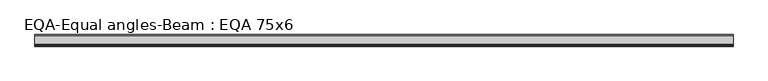
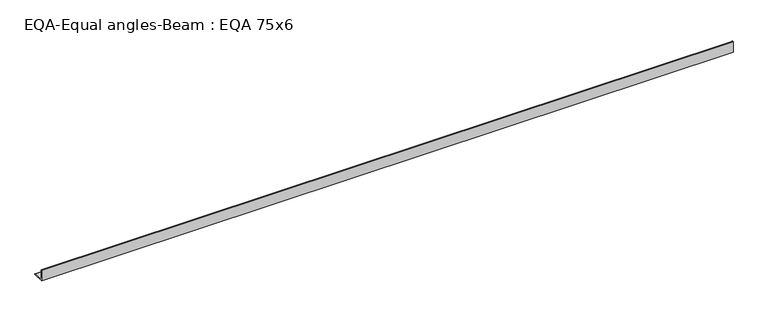
"""IFC4 building model written with IfcOpenShell, lengths in millimetres: beam geometry, EQA-Equal angles-Beam : EQA 75x6."""

import ifcopenshell
import ifcopenshell.guid

model = None  # the IFC model being written
_history = None  # IfcOwnerHistory: only IFC2X3 demands one
_inside = {}  # id of a spatial element -> (the spatial element, [elements in it])
_under = {}  # id of a project, library or spatial element -> (it, [spatial elements below it])
_declared = {}  # id of a project -> (the project, [libraries it declares])
_typed = {}  # id of a type object -> (the type object, [elements of that type])
_made_of = {}  # id of a material, layer set ... -> (it, [elements and type objects made of it])


def new_model(schema):
    """Start an empty IFC model of exactly this schema.

    Asked for "IFC4X3", IfcOpenShell would pick the latest addendum, in which some entities
    have other attributes; the version numbers below select the first issue.
    IFC2X3 requires an IfcOwnerHistory on every rooted entity: one is made here for all.
    """
    global model, _history
    if schema == "IFC4X3":
        model = ifcopenshell.file(schema_version=(4, 3, 0, 0))
    else:
        model = ifcopenshell.file(schema=schema)
    _inside.clear()
    _under.clear()
    _declared.clear()
    _typed.clear()
    _made_of.clear()
    _history = None
    if model.schema == "IFC2X3":
        org = make("IfcOrganization", Name="unknown")
        user = make(
            "IfcPersonAndOrganization",
            ThePerson=make("IfcPerson", FamilyName="unknown"),
            TheOrganization=org,
        )
        app = make(
            "IfcApplication",
            ApplicationDeveloper=org,
            Version="unknown",
            ApplicationFullName="unknown",
            ApplicationIdentifier="unknown",
        )
        _history = make(
            "IfcOwnerHistory",
            OwningUser=user,
            OwningApplication=app,
            ChangeAction="ADDED",
            CreationDate=0,
        )
    return model


def make(cls, **values):
    """One entity of the class cls with the attributes given. An attribute that is None is left unset."""
    return model.create_entity(
        cls, **{name: value for name, value in values.items() if value is not None}
    )


def rooted(cls, **values):
    """An entity with a GlobalId (a new one), such as an element, a storey or a relation."""
    return make(cls, GlobalId=ifcopenshell.guid.new(), OwnerHistory=_history, **values)


def si_unit(unit_type, name, prefix=None):
    """IfcSIUnit, for example si_unit("LENGTHUNIT", "METRE", prefix="MILLI")."""
    return make("IfcSIUnit", UnitType=unit_type, Prefix=prefix, Name=name)


def assignment(units):
    """IfcUnitAssignment: the units of a project."""
    return None if units is None else make("IfcUnitAssignment", Units=units)


def point(xyz):
    """IfcCartesianPoint."""
    return None if xyz is None else make("IfcCartesianPoint", Coordinates=xyz)


def direction(xyz):
    """IfcDirection."""
    return None if xyz is None else make("IfcDirection", DirectionRatios=xyz)


def frame(location, z_axis=None, x_axis=None):
    """IfcAxis2Placement3D, a coordinate frame: its origin and axes. An axis left out is left unset."""
    return make(
        "IfcAxis2Placement3D",
        Location=point(location),
        Axis=direction(z_axis),
        RefDirection=direction(x_axis),
    )


def frame_2d(location, x_axis=None):
    """IfcAxis2Placement2D, a coordinate frame in the plane: its origin and x axis."""
    return make(
        "IfcAxis2Placement2D", Location=point(location), RefDirection=direction(x_axis)
    )


def origin():
    """The frame at (0, 0, 0) with its axes left unset."""
    return frame((0.0, 0.0, 0.0))


def place(relative_to, where):
    """IfcLocalPlacement: puts the frame where relative to a parent placement (None: the world)."""
    return make(
        "IfcLocalPlacement", PlacementRelTo=relative_to, RelativePlacement=where
    )


def context(
    kind, dimensions, precision=None, world=None, true_north=None, identifier=None
):
    """IfcGeometricRepresentationContext, for example the 3D "Model" context."""
    return make(
        "IfcGeometricRepresentationContext",
        ContextIdentifier=identifier,
        ContextType=kind,
        CoordinateSpaceDimension=dimensions,
        Precision=precision,
        WorldCoordinateSystem=world,
        TrueNorth=true_north,
    )


def project(units=None, contexts=None):
    """IfcProject with its units and contexts."""
    return rooted(
        "IfcProject",
        Name="project",
        RepresentationContexts=contexts,
        UnitsInContext=assignment(units),
    )


def spatial(cls, under=None, at=None, **own):
    """A site, building, storey or space (cls), placed at a placement, below another one or the project."""
    s = rooted(cls, ObjectPlacement=at, **own)
    if under is not None:
        _under.setdefault(under.id(), (under, []))[1].append(s)
    return s


def polyline(points):
    """IfcPolyline through the points."""
    return make("IfcPolyline", Points=[point(p) for p in points])


def circle_curve(where, radius):
    """IfcCircle in the frame where."""
    return make("IfcCircle", Position=where, Radius=radius)


def trimmed(basis, trim1, trim2, sense, master):
    """IfcTrimmedCurve: the piece of a basis curve between two trims."""
    return make(
        "IfcTrimmedCurve",
        BasisCurve=basis,
        Trim1=trim1,
        Trim2=trim2,
        SenseAgreement=sense,
        MasterRepresentation=master,
    )


def segment(curve, same_sense, transition):
    """IfcCompositeCurveSegment."""
    return make(
        "IfcCompositeCurveSegment",
        Transition=transition,
        SameSense=same_sense,
        ParentCurve=curve,
    )


def composite_curve(segments, self_intersect=None):
    """IfcCompositeCurve: segments joined end to end."""
    return make("IfcCompositeCurve", Segments=segments, SelfIntersect=self_intersect)


def outline(outer, holes=None, kind="AREA"):
    """IfcArbitraryClosedProfileDef: a profile drawn as a closed curve; with holes, ...WithVoids."""
    if holes is None:
        return make("IfcArbitraryClosedProfileDef", ProfileType=kind, OuterCurve=outer)
    return make(
        "IfcArbitraryProfileDefWithVoids",
        ProfileType=kind,
        OuterCurve=outer,
        InnerCurves=holes,
    )


def extrude(swept, where, along, depth):
    """IfcExtrudedAreaSolid: the profile swept, set in the frame where, extruded along a direction by depth."""
    return make(
        "IfcExtrudedAreaSolid",
        SweptArea=swept,
        Position=where,
        ExtrudedDirection=direction(along),
        Depth=depth,
    )


def shape(context_of_items, identifier, shape_type, items):
    """IfcShapeRepresentation: the items that make up one representation, for example the "Body"."""
    return make(
        "IfcShapeRepresentation",
        ContextOfItems=context_of_items,
        RepresentationIdentifier=identifier,
        RepresentationType=shape_type,
        Items=items,
    )


def source(mapping_origin, context_of_items, identifier, shape_type, items):
    """IfcRepresentationMap: a shape defined once, which mapped items show again and again."""
    return make(
        "IfcRepresentationMap",
        MappingOrigin=mapping_origin,
        MappedRepresentation=shape(context_of_items, identifier, shape_type, items),
    )


def transform(
    local_origin,
    x_axis=None,
    y_axis=None,
    z_axis=None,
    scale=None,
    scale2=None,
    scale3=None,
    uniform=True,
):
    """IfcCartesianTransformationOperator3D, or its non-uniform kind. x_axis, y_axis, z_axis: its Axis1, 2, 3."""
    if uniform:
        return make(
            "IfcCartesianTransformationOperator3D",
            Axis1=direction(x_axis),
            Axis2=direction(y_axis),
            LocalOrigin=point(local_origin),
            Scale=scale,
            Axis3=direction(z_axis),
        )
    return make(
        "IfcCartesianTransformationOperator3DnonUniform",
        Axis1=direction(x_axis),
        Axis2=direction(y_axis),
        LocalOrigin=point(local_origin),
        Scale=scale,
        Axis3=direction(z_axis),
        Scale2=scale2,
        Scale3=scale3,
    )


def mapped(mapping_source, mapping_target):
    """IfcMappedItem: shows the shape of a source again, moved by a transform."""
    return make(
        "IfcMappedItem", MappingSource=mapping_source, MappingTarget=mapping_target
    )


def made_of(thing, what):
    """Note that an element or type object is made of a material, layer set ...; save() writes the relation."""
    if what is not None:
        _made_of.setdefault(what.id(), (what, []))[1].append(thing)
    return thing


def element(
    cls,
    number,
    at=None,
    inside=None,
    cuts=None,
    type_object=None,
    material=None,
    context=None,
    identifier="Body",
    shape_type=None,
    held_by="IfcProductDefinitionShape",
    body=None,
    shapes=None,
    **own,
):
    """One element of the class cls, such as IfcWall. Its Tag is "e" and its number.

    at: its placement. inside: the storey or other place that contains it. cuts: it is an
    opening in that element (IfcRelVoidsElement). A single representation is given by context,
    identifier, shape_type and body (its items); several are given by shapes. held_by: the class
    of the entity that holds the representations. save() writes the other relations.
    """
    e = rooted(cls, Tag="e%d" % number, ObjectPlacement=at, **own)
    if body is not None:
        shapes = [shape(context, identifier, shape_type, body)]
    if shapes is not None:
        e.Representation = make(held_by, Representations=shapes)
    if inside is not None:
        _inside.setdefault(inside.id(), (inside, []))[1].append(e)
    if cuts is not None:
        rooted(
            "IfcRelVoidsElement", RelatingBuildingElement=cuts, RelatedOpeningElement=e
        )
    if type_object is not None:
        _typed.setdefault(type_object.id(), (type_object, []))[1].append(e)
    return made_of(e, material)


def aggregate(whole, parts):
    """IfcRelAggregates: a whole, such as a stair, and the parts it consists of."""
    return rooted("IfcRelAggregates", RelatingObject=whole, RelatedObjects=parts)


def save(model, path):
    """Write the relations noted so far, then the file.

    IfcRelAggregates (storeys below a building ...), IfcRelContainedInSpatialStructure (elements
    in a storey), IfcRelDefinesByType, IfcRelAssociatesMaterial and IfcRelDeclares: one each for
    every whole, place, type object, material and project.
    """
    for whole, parts in _under.values():
        aggregate(whole, parts)
    for where, things in _inside.values():
        rooted(
            "IfcRelContainedInSpatialStructure",
            RelatedElements=things,
            RelatingStructure=where,
        )
    for kind, things in _typed.values():
        rooted("IfcRelDefinesByType", RelatedObjects=things, RelatingType=kind)
    for what, things in _made_of.values():
        rooted("IfcRelAssociatesMaterial", RelatedObjects=things, RelatingMaterial=what)
    for by, libraries in _declared.values():
        rooted("IfcRelDeclares", RelatingContext=by, RelatedDefinitions=libraries)
    model.write(path)


def eqa_equal_angles_beam_eqa_75x6_3383132c(model_context):
    return source(origin(), model_context, "Body", "SweptSolid", [
        extrude(outline(composite_curve([segment(polyline([(-20.5, -20.5), (-20.5, 54.5), (-19.0, 54.5)]), True, "CONTINUOUS"), segment(trimmed(circle_curve(frame_2d((-19.0, 50.0)), 4.5), [point((-19.0, 54.5))], [point((-14.5, 50.0))], False, "CARTESIAN"), True, "CONTINUOUS"), segment(polyline([(-14.5, 50.0), (-14.5, -5.5)]), True, "CONTINUOUS"), segment(trimmed(circle_curve(frame_2d((-5.5, -5.5)), 9.0), [point((-14.5, -5.5))], [point((-5.5, -14.5))], True, "CARTESIAN"), True, "CONTINUOUS"), segment(polyline([(-5.5, -14.5), (50.0, -14.5)]), True, "CONTINUOUS"), segment(trimmed(circle_curve(frame_2d((50.0, -19.0)), 4.5), [point((50.0, -14.5))], [point((54.5, -19.0))], False, "CARTESIAN"), True, "CONTINUOUS"), segment(polyline([(54.5, -19.0), (54.5, -20.5), (-20.5, -20.5)]), True, "CONTINUOUS")], self_intersect=False)), frame((-2340.3513847, 0.0, 0.0), z_axis=(1.0, 0.0, 0.0), x_axis=(0.0, 1.0, 0.0)), (0.0, 0.0, 1.0), 4511.8157761),
    ])


if __name__ == "__main__":
    model = new_model("IFC4")
    model_context = context("Model", 3, world=origin())
    ifc_project = project(units=[si_unit("LENGTHUNIT", "METRE", prefix="MILLI")], contexts=[model_context])
    site = spatial("IfcSite", under=ifc_project)
    building = spatial("IfcBuilding", under=site)
    placement = place(None, origin())
    eqa_equal_angles_beam_eqa_75x6_shape = eqa_equal_angles_beam_eqa_75x6_3383132c(model_context)
    element("IfcBeam", 1, ObjectType="EQA-Equal angles-Beam : EQA 75x6", at=placement, inside=building, context=model_context, shape_type="MappedRepresentation", body=[
        mapped(eqa_equal_angles_beam_eqa_75x6_shape, transform((0.0, 0.0, 0.0), x_axis=(1.0, 0.0, 0.0), y_axis=(0.0, 1.0, 0.0), z_axis=(0.0, 0.0, 1.0))),
    ])
    save(model, "model.ifc")
